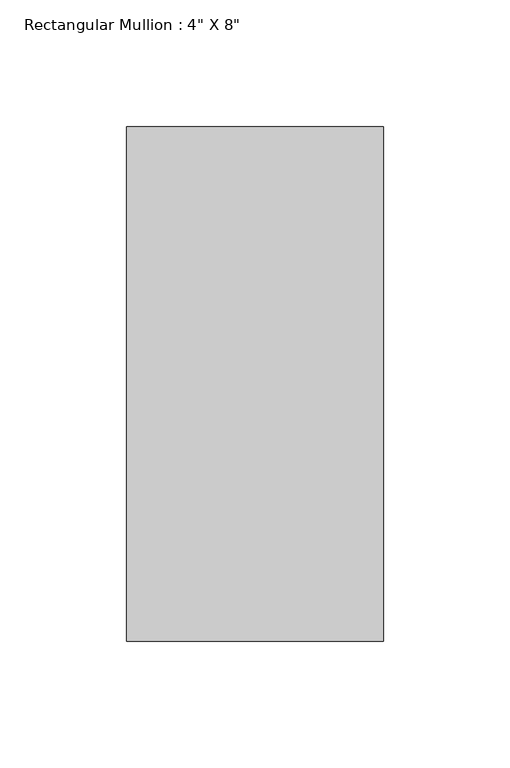
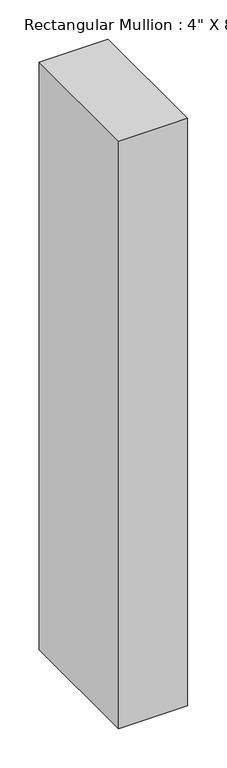
"""IFC4 building model written with IfcOpenShell, lengths in millimetres: member geometry."""

from ifc_helpers import new_model, si_unit, frame, origin, place, context, project, spatial, polyline, outline, extrude, source, transform, mapped, element, save


def member_7a646792(model_context):
    return source(origin(), model_context, "Body", "SweptSolid", [
        extrude(outline(polyline([(0.0, 139.7), (0.0, -63.5), (-101.6, -63.5), (-101.6, 139.7), (0.0, 139.7)])), frame((0.0, 0.0, -914.4), z_axis=(0.0, 0.0, 1.0), x_axis=(1.0, 0.0, 0.0)), (0.0, 0.0, 1.0), 914.4),
    ])


if __name__ == "__main__":
    model = new_model("IFC4")
    model_context = context("Model", 3, world=origin())
    ifc_project = project(units=[si_unit("LENGTHUNIT", "METRE", prefix="MILLI")], contexts=[model_context])
    site = spatial("IfcSite", under=ifc_project)
    building = spatial("IfcBuilding", under=site)
    placement = place(None, origin())
    member_shape = member_7a646792(model_context)
    element("IfcMember", 1, ObjectType="Rectangular Mullion : 4\" X 8\"", at=placement, inside=building, context=model_context, shape_type="MappedRepresentation", body=[
        mapped(member_shape, transform((0.0, 0.0, 0.0), x_axis=(1.0, 0.0, 0.0), y_axis=(0.0, 1.0, 0.0), z_axis=(0.0, 0.0, 1.0))),
    ])
    save(model, "model.ifc")
